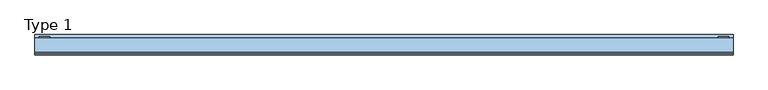
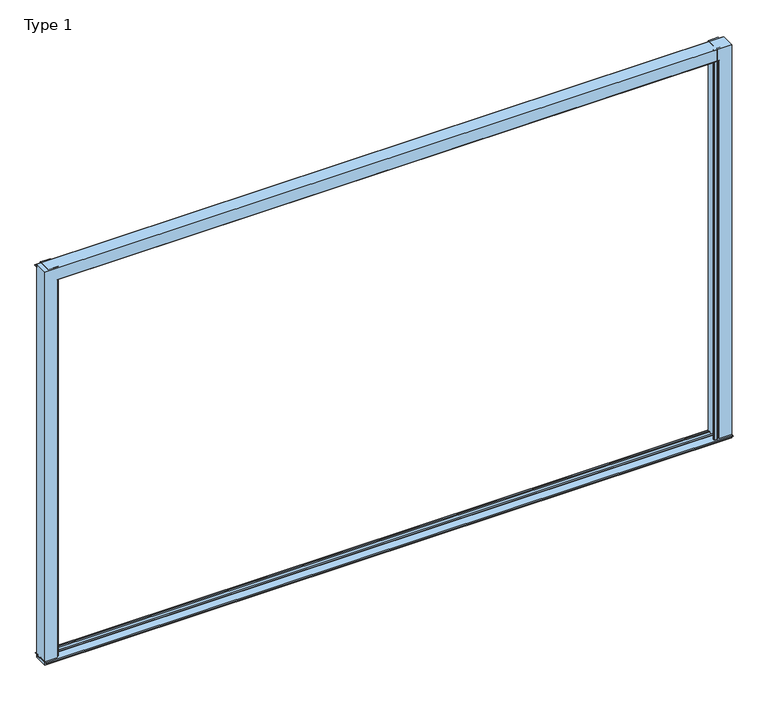
"""IFC4 building model written with IfcOpenShell, lengths in millimetres: window geometry, Type 1."""

from ifc_helpers import new_model, si_unit, point, frame, frame_2d, origin, origin_with_axes, place, context, project, spatial, polyline, circle_curve, ellipse_curve, trimmed, segment, composite_curve, outline, extrude, source, transform, mapped, element, save
from ifc_brep_helpers import plane_surface, cylinder_surface, advanced_brep


def type_1_e942a0ff(model_context):
    return source(origin(), model_context, "Body", "SolidModel", [
        advanced_brep(
        [(1990.0, -70.0, 0.0), (1919.5, -70.0, 0.0), (1917.0, -67.5, 0.0), (1917.0, -60.0000153, 0.0), (1959.5, -60.0000153, 0.0), (1959.5, -31.8999908, 0.0), (1954.3999924, -31.8999908, 0.0), (1954.3999924, -22.3000153, 0.0), (1965.9997864, -22.3000153, 0.0), (1965.9997864, 0.1999847, 0.0), (1954.3999924, 0.1999847, 0.0), (1954.3999924, 9.9999847, 0.0), (1990.0, 9.9999847, 0.0), (1990.0, -70.0, 2390.0), (-1990.0, -70.0, 2390.0), (-1990.0, -70.0, 0.0), (-1919.5, -70.0, 0.0), (-1919.5, -70.0, 2319.5), (1919.5, -70.0, 2319.5), (1917.0, -67.5, 2317.0), (1917.0, -60.0000153, 2317.0), (-1917.0, -60.0000153, 2317.0), (-1917.0, -60.0000153, 0.0), (-1959.5, -60.0000153, 0.0), (-1959.5, -60.0000153, 2359.5), (1959.5, -60.0000153, 2359.5), (1959.5, -31.8999908, 2359.5), (-1959.5, -31.8999908, 2359.5), (-1959.5, -31.8999908, 0.0), (-1954.3999924, -31.8999908, 0.0), (-1954.3999924, -31.8999908, 2354.3999924), (1954.3999924, -31.8999908, 2354.3999924), (1954.3999924, -22.3000153, 2354.3999924), (-1954.3999924, -22.3000153, 2354.3999924), (-1954.3999924, -22.3000153, 0.0), (-1965.9997864, -22.3000153, 0.0), (-1965.9997864, -22.3000153, 2365.9997864), (1965.9997864, -22.3000153, 2365.9997864), (1965.9997864, 0.1999847, 2365.9997864), (-1965.9997864, 0.1999847, 2365.9997864), (-1965.9997864, 0.1999847, 0.0), (-1954.3999924, 0.1999847, 0.0), (-1954.3999924, 0.1999847, 2354.3999924), (1954.3999924, 0.1999847, 2354.3999924), (1954.3999924, 9.9999847, 2354.3999924), (-1954.3999924, 9.9999847, 2354.3999924), (-1954.3999924, 9.9999847, 0.0), (-1990.0, 9.9999847, 0.0), (-1990.0, 9.9999847, 2390.0), (1990.0, 9.9999847, 2390.0), (-1917.0, -67.5, 0.0), (-1917.0, -67.5, 2317.0)],
        [
            (0, 1),
            (1, 2, circle_curve(frame((1919.5, -67.5, 0.0), z_axis=(0.0, 0.0, -1.0), x_axis=(0.0, -1.0, 0.0)), 2.5)),
            (2, 3),
            (3, 4),
            (4, 5),
            (5, 6),
            (6, 7),
            (7, 8),
            (8, 9),
            (9, 10),
            (10, 11),
            (11, 12),
            (12, 0),
            (0, 13),
            (13, 14),
            (14, 15),
            (15, 16),
            (16, 17),
            (17, 18),
            (18, 1),
            (18, 19, ellipse_curve(frame((1919.5, -67.5, 2319.5), z_axis=(0.7071067811865475, 0.0, -0.7071067811865475), x_axis=(-0.7071067811865474, 0.0, -0.7071067811865476)), 3.5355339, 2.5)),
            (19, 2),
            (19, 20),
            (20, 3),
            (20, 21),
            (21, 22),
            (22, 23),
            (23, 24),
            (24, 25),
            (25, 4),
            (25, 26),
            (26, 5),
            (26, 27),
            (27, 28),
            (28, 29),
            (29, 30),
            (30, 31),
            (31, 6),
            (31, 32),
            (32, 7),
            (32, 33),
            (33, 34),
            (34, 35),
            (35, 36),
            (36, 37),
            (37, 8),
            (37, 38),
            (38, 9),
            (38, 39),
            (39, 40),
            (40, 41),
            (41, 42),
            (42, 43),
            (43, 10),
            (43, 44),
            (44, 11),
            (44, 45),
            (45, 46),
            (46, 47),
            (47, 48),
            (48, 49),
            (49, 12),
            (49, 13),
            (15, 47),
            (46, 41),
            (40, 35),
            (34, 29),
            (28, 23),
            (22, 50),
            (50, 16, circle_curve(frame((-1919.5, -67.5, 0.0), z_axis=(0.0, 0.0, -1.0), x_axis=(0.0, -1.0, 0.0)), 2.5)),
            (14, 48),
            (45, 42),
            (39, 36),
            (33, 30),
            (27, 24),
            (21, 51),
            (51, 50),
            (51, 17, ellipse_curve(frame((-1919.5, -67.5, 2319.5), z_axis=(-0.7071067811865475, 0.0, -0.7071067811865475), x_axis=(-0.7071067811865474, 0.0, 0.7071067811865476)), 3.5355339, 2.5)),
            (51, 19),
        ],
        [
            plane_surface(frame((1990.0, -70.0, 0.0), z_axis=(0.0, 0.0, -1.0), x_axis=(0.0, -1.0, 0.0))),
            plane_surface(frame((1990.0, -70.0, 0.0), z_axis=(0.0, -1.0, 0.0), x_axis=(0.0, 0.0, 1.0))),
            cylinder_surface(frame((1919.5, -67.5, 0.0), z_axis=(0.0, 0.0, -1.0), x_axis=(0.0, -1.0, 0.0)), 2.5),
            plane_surface(frame((1917.0, -67.5, 0.0), z_axis=(-1.0, 0.0, 0.0), x_axis=(0.0, 0.0, 1.0))),
            plane_surface(frame((1917.0, -60.0000153, 0.0), z_axis=(0.0, 1.0, 0.0), x_axis=(0.0, 0.0, 1.0))),
            plane_surface(frame((1959.5, -60.0000153, 0.0), z_axis=(-1.0, 0.0, 0.0), x_axis=(0.0, 0.0, 1.0))),
            plane_surface(frame((1959.5, -31.8999908, 0.0), z_axis=(0.0, -1.0, 0.0), x_axis=(0.0, 0.0, 1.0))),
            plane_surface(frame((1954.3999924, -31.8999908, 0.0), z_axis=(-1.0, 0.0, 0.0), x_axis=(0.0, 0.0, 1.0))),
            plane_surface(frame((1954.3999924, -22.3000153, 0.0), z_axis=(0.0, 1.0, 0.0), x_axis=(0.0, 0.0, 1.0))),
            plane_surface(frame((1965.9997864, -22.3000153, 0.0), z_axis=(-1.0, 0.0, 0.0), x_axis=(0.0, 0.0, 1.0))),
            plane_surface(frame((1965.9997864, 0.1999847, 0.0), z_axis=(0.0, -1.0, 0.0), x_axis=(0.0, 0.0, 1.0))),
            plane_surface(frame((1954.3999924, 0.1999847, 0.0), z_axis=(-1.0, 0.0, 0.0), x_axis=(0.0, 0.0, 1.0))),
            plane_surface(frame((1954.3999924, 9.9999847, 0.0), z_axis=(0.0, 1.0, 0.0), x_axis=(0.0, 0.0, 1.0))),
            plane_surface(frame((1990.0, 9.9999847, 0.0), z_axis=(1.0, 0.0, 0.0), x_axis=(0.0, 0.0, 1.0))),
            plane_surface(frame((-1990.0, -70.0, 0.0), z_axis=(0.0, 0.0, -1.0), x_axis=(0.0, -1.0, 0.0))),
            plane_surface(frame((-1990.0, 9.9999847, 2390.0), z_axis=(-1.0, 0.0, 0.0), x_axis=(0.0, 0.0, -1.0))),
            plane_surface(frame((-1954.3999924, 0.1999847, 2354.3999924), z_axis=(1.0, 0.0, 0.0), x_axis=(0.0, 0.0, -1.0))),
            plane_surface(frame((-1965.9997864, -22.3000153, 2365.9997864), z_axis=(1.0, 0.0, 0.0), x_axis=(0.0, 0.0, -1.0))),
            plane_surface(frame((-1954.3999924, -31.8999908, 2354.3999924), z_axis=(1.0, 0.0, 0.0), x_axis=(0.0, 0.0, -1.0))),
            plane_surface(frame((-1959.5, -60.0000153, 2359.5), z_axis=(1.0, 0.0, 0.0), x_axis=(0.0, 0.0, -1.0))),
            plane_surface(frame((-1917.0, -67.5, 2317.0), z_axis=(1.0, 0.0, 0.0), x_axis=(0.0, 0.0, -1.0))),
            cylinder_surface(frame((-1919.5, -67.5, 2390.0), z_axis=(0.0, 0.0, 1.0), x_axis=(0.0, -1.0, 0.0)), 2.5),
            plane_surface(frame((1990.0, 9.9999847, 2390.0), z_axis=(0.0, 0.0, 1.0), x_axis=(-1.0, 0.0, 0.0))),
            cylinder_surface(frame((1990.0, -67.5, 2319.5), z_axis=(1.0, 0.0, 0.0), x_axis=(0.0, -1.0, 0.0)), 2.5),
            plane_surface(frame((1917.0, -67.5, 2317.0), z_axis=(0.0, 0.0, -1.0), x_axis=(-1.0, 0.0, 0.0))),
            plane_surface(frame((1959.5, -60.0000153, 2359.5), z_axis=(0.0, 0.0, -1.0), x_axis=(-1.0, 0.0, 0.0))),
            plane_surface(frame((1954.3999924, -31.8999908, 2354.3999924), z_axis=(0.0, 0.0, -1.0), x_axis=(-1.0, 0.0, 0.0))),
            plane_surface(frame((1965.9997864, -22.3000153, 2365.9997864), z_axis=(0.0, 0.0, -1.0), x_axis=(-1.0, 0.0, 0.0))),
            plane_surface(frame((1954.3999924, 0.1999847, 2354.3999924), z_axis=(0.0, 0.0, -1.0), x_axis=(-1.0, 0.0, 0.0))),
        ],
        [
            (0, [[1, 2, 3, 4, 5, 6, 7, 8, 9, 10, 11, 12, 13]]),
            (1, [[-1, 14, 15, 16, 17, 18, 19, 20]]),
            (2, [[-2, -20, 21, 22]]),
            (3, [[-3, -22, 23, 24]]),
            (4, [[-4, -24, 25, 26, 27, 28, 29, 30]]),
            (5, [[-5, -30, 31, 32]]),
            (6, [[-6, -32, 33, 34, 35, 36, 37, 38]]),
            (7, [[-7, -38, 39, 40]]),
            (8, [[-8, -40, 41, 42, 43, 44, 45, 46]]),
            (9, [[-9, -46, 47, 48]]),
            (10, [[-10, -48, 49, 50, 51, 52, 53, 54]]),
            (11, [[-11, -54, 55, 56]]),
            (12, [[-12, -56, 57, 58, 59, 60, 61, 62]]),
            (13, [[-13, -62, 63, -14]]),
            (14, [[64, -59, 65, -51, 66, -43, 67, -35, 68, -27, 69, 70, -17]]),
            (15, [[71, -60, -64, -16]]),
            (16, [[72, -52, -65, -58]]),
            (17, [[73, -44, -66, -50]]),
            (18, [[74, -36, -67, -42]]),
            (19, [[75, -28, -68, -34]]),
            (20, [[76, 77, -69, -26]]),
            (21, [[78, -18, -70, -77]]),
            (22, [[-63, -61, -71, -15]]),
            (23, [[-21, -19, -78, 79]]),
            (24, [[-23, -79, -76, -25]]),
            (25, [[-31, -29, -75, -33]]),
            (26, [[-39, -37, -74, -41]]),
            (27, [[-47, -45, -73, -49]]),
            (28, [[-55, -53, -72, -57]]),
        ],
    ),
        extrude(outline(composite_curve([segment(polyline([(1965.0, 17.5), (1965.0, 10.0), (1965.9997864, 10.0), (1965.9997864, -60.0), (1909.0, -60.0), (1909.0, -67.4999847)]), True, "CONTINUOUS"), segment(trimmed(circle_curve(frame_2d((1906.5, -67.4999847)), 2.5), [point((1909.0, -67.4999847))], [point((1906.5, -69.9999847))], False, "CARTESIAN"), True, "CONTINUOUS"), segment(polyline([(1906.5, -69.9999847), (1890.5, -69.9999847)]), True, "CONTINUOUS"), segment(trimmed(circle_curve(frame_2d((1890.5, -67.4999847)), 2.5), [point((1890.5, -69.9999847))], [point((1888.0, -67.4999847))], False, "CARTESIAN"), True, "CONTINUOUS"), segment(polyline([(1888.0, -67.4999847), (1888.0, -60.0), (1906.0, -60.0), (1906.0, 20.0), (1962.5, 20.0)]), True, "CONTINUOUS"), segment(trimmed(circle_curve(frame_2d((1962.5, 17.5)), 2.5), [point((1962.5, 20.0))], [point((1965.0, 17.5))], False, "CARTESIAN"), True, "CONTINUOUS")], self_intersect=False)), origin_with_axes(), (0.0, 0.0, 1.0), 2390.0),
        extrude(outline(composite_curve([segment(trimmed(circle_curve(frame_2d((-1962.5, 17.5)), 2.5), [point((-1965.0, 17.5))], [point((-1962.5, 20.0))], False, "CARTESIAN"), True, "CONTINUOUS"), segment(polyline([(-1962.5, 20.0), (-1905.9999505, 20.0), (-1905.9999505, -60.0), (-1965.9997864, -60.0), (-1965.9997864, 10.0), (-1965.0, 10.0), (-1965.0, 17.5)]), True, "CONTINUOUS")], self_intersect=False)), origin_with_axes(), (0.0, 0.0, 1.0), 2390.0),
        extrude(outline(polyline([(30.2279949, 2375.5006958), (30.2279949, 2371.1777082), (9.9999847, 2371.1777082), (9.9999847, 2383.6755792), (30.2279949, 2375.5006958)])), frame((-1990.0, 0.0, 0.0), z_axis=(1.0, 0.0, 0.0), x_axis=(0.0, 1.0, 0.0)), (0.0, 0.0, 1.0), 3980.0),
        extrude(outline(polyline([(-22.3000481, 7.0999832), (-22.3000481, -9.9), (0.1999756, -9.9), (0.1999756, 7.0999832), (7.600061, 7.0999832), (7.600061, 3.5), (20.7378222, 3.5), (25.0, 1.0392305), (25.0, 0.0), (10.0, 0.0), (10.0, -18.0), (-70.0, -18.0), (-70.0, 0.0), (-85.0, 0.0), (-85.0, 1.0392305), (-80.7378222, 3.5), (-29.7001335, 3.5), (-29.7001335, 7.0999832), (-22.3000481, 7.0999832)])), frame((-1990.0, 0.0, 0.0), z_axis=(1.0, 0.0, 0.0), x_axis=(0.0, 1.0, 0.0)), (0.0, 0.0, 1.0), 3980.0),
    ])


if __name__ == "__main__":
    model = new_model("IFC4")
    model_context = context("Model", 3, world=origin())
    ifc_project = project(units=[si_unit("LENGTHUNIT", "METRE", prefix="MILLI")], contexts=[model_context])
    site = spatial("IfcSite", under=ifc_project)
    building = spatial("IfcBuilding", under=site)
    placement = place(None, origin())
    type_1_shape = type_1_e942a0ff(model_context)
    element("IfcWindow", 1, ObjectType="Type 1", at=placement, inside=building, context=model_context, shape_type="MappedRepresentation", body=[
        mapped(type_1_shape, transform((0.0, 0.0, 0.0), x_axis=(1.0, 0.0, 0.0), y_axis=(0.0, 1.0, 0.0), z_axis=(0.0, 0.0, 1.0))),
    ])
    save(model, "model.ifc")
